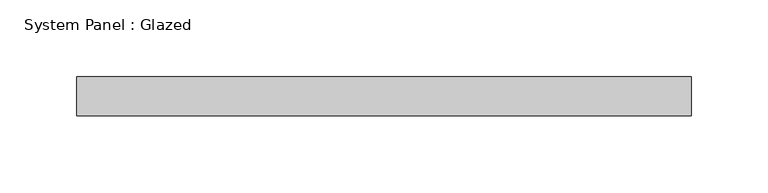
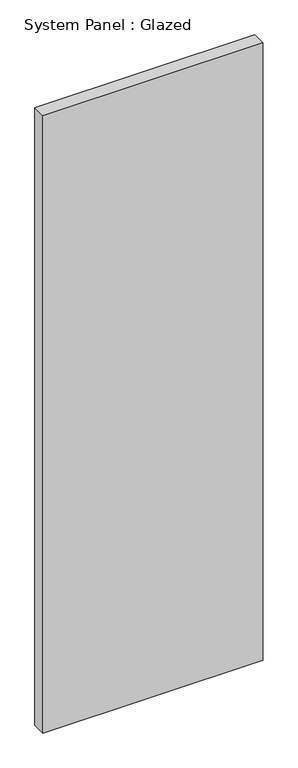
"""IFC4 building model written with IfcOpenShell, lengths in millimetres: plate geometry, System Panel : Glazed."""

from ifc_helpers import new_model, si_unit, origin, origin_with_axes, place, context, project, spatial, polyline, outline, extrude, source, transform, mapped, element, save


def system_panel_glazed_b5018417(model_context):
    return source(origin(), model_context, "Body", "SweptSolid", [
        extrude(outline(polyline([(200.025, -12.7), (-200.025, -12.7), (-200.025, 12.7), (200.025, 12.7), (200.025, -12.7)])), origin_with_axes(), (0.0, 0.0, 1.0), 1187.45),
    ])


if __name__ == "__main__":
    model = new_model("IFC4")
    model_context = context("Model", 3, world=origin())
    ifc_project = project(units=[si_unit("LENGTHUNIT", "METRE", prefix="MILLI")], contexts=[model_context])
    site = spatial("IfcSite", under=ifc_project)
    building = spatial("IfcBuilding", under=site)
    placement = place(None, origin())
    system_panel_glazed_shape = system_panel_glazed_b5018417(model_context)
    element("IfcPlate", 1, ObjectType="System Panel : Glazed", at=placement, inside=building, context=model_context, shape_type="MappedRepresentation", body=[
        mapped(system_panel_glazed_shape, transform((0.0, 0.0, 0.0), x_axis=(1.0, 0.0, 0.0), y_axis=(0.0, 1.0, 0.0), z_axis=(0.0, 0.0, 1.0))),
    ])
    save(model, "model.ifc")
